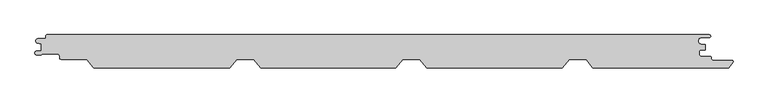
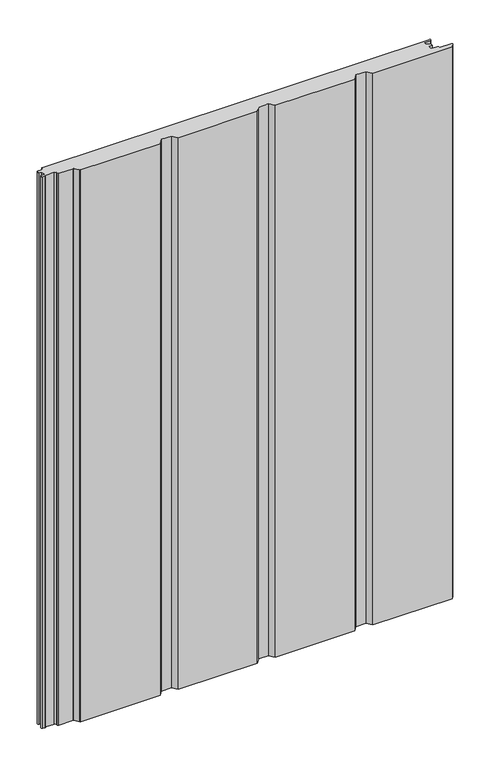
"""IFC4 building model written with IfcOpenShell, lengths in millimetres: proxy geometry."""

from ifc_helpers import new_model, si_unit, point, frame_2d, origin, origin_with_axes, place, context, project, spatial, polyline, circle_curve, trimmed, segment, composite_curve, outline, extrude, source, transform, mapped, element, save


def generic_models_a103f62f(model_context):
    return source(origin(), model_context, "Body", "SweptSolid", [
        extrude(outline(composite_curve([segment(polyline([(497.8, 20.6), (486.1740239, 20.6)]), True, "CONTINUOUS"), segment(trimmed(circle_curve(frame_2d((486.1740239, 15.5818865)), 5.0181135), [point((486.1740239, 20.6))], [point((486.1740239, 10.5637731))], True, "CARTESIAN"), True, "CONTINUOUS"), segment(polyline([(486.1740239, 10.5637731), (491.826199, 10.5637731), (491.826199, 2.1668444), (485.634822, 2.1668444)]), True, "CONTINUOUS"), segment(trimmed(circle_curve(frame_2d((485.634822, -0.5831555)), 2.7499999), [point((485.634822, 2.1668444))], [point((482.8848221, -0.5831555))], True, "CARTESIAN"), True, "CONTINUOUS"), segment(polyline([(482.8848221, -0.5831555), (482.8848221, -5.0831556)]), True, "CONTINUOUS"), segment(trimmed(circle_curve(frame_2d((485.634822, -5.0831556)), 2.7499999), [point((482.8848221, -5.0831556))], [point((485.634822, -7.8331556))], True, "CARTESIAN"), True, "CONTINUOUS"), segment(polyline([(485.634822, -7.8331556), (499.3603917, -7.8331556)]), True, "CONTINUOUS"), segment(trimmed(circle_curve(frame_2d((499.3603917, -9.8331556)), 2.0), [point((499.3603917, -7.8331556))], [point((501.3603917, -9.8331556))], False, "CARTESIAN"), True, "CONTINUOUS"), segment(polyline([(501.3603917, -9.8331556), (501.3603917, -11.8001056)]), True, "CONTINUOUS"), segment(trimmed(circle_curve(frame_2d((503.3603917, -11.8001056)), 2.0), [point((501.3603917, -11.8001056))], [point((503.3603917, -13.8001056))], True, "CARTESIAN"), True, "CONTINUOUS"), segment(polyline([(503.3603917, -13.8001056), (531.7579459, -13.8001056)]), True, "CONTINUOUS"), segment(trimmed(circle_curve(frame_2d((531.7579459, -15.9001056)), 2.1), [point((531.7579459, -13.8001056))], [point((533.3977704, -17.2119652))], False, "CARTESIAN"), True, "CONTINUOUS"), segment(polyline([(533.3977704, -17.2119652), (527.1673425, -25.0), (323.0, -25.0), (312.6000971, -12.0), (287.0155837, -12.0), (276.6156808, -25.0), (73.0, -25.0), (62.6000971, -12.0), (37.0155837, -12.0), (26.6156808, -25.0), (-177.0, -25.0), (-187.3999029, -12.0), (-212.9844163, -12.0), (-223.3843192, -25.0), (-427.4622812, -25.0)]), True, "CONTINUOUS"), segment(trimmed(circle_curve(frame_2d((-427.4622812, -22.9)), 2.1), [point((-427.4622812, -25.0))], [point((-429.1021057, -24.2118596))], False, "CARTESIAN"), True, "CONTINUOUS"), segment(polyline([(-429.1021057, -24.2118596), (-438.1509234, -12.9008374)]), True, "CONTINUOUS"), segment(trimmed(circle_curve(frame_2d((-440.0250086, -14.4001056)), 2.4), [point((-438.1509234, -12.9008374))], [point((-440.0250086, -12.0001056))], True, "CARTESIAN"), True, "CONTINUOUS"), segment(polyline([(-440.0250086, -12.0001056), (-477.1999474, -12.0001056)]), True, "CONTINUOUS"), segment(trimmed(circle_curve(frame_2d((-477.1999474, -9.6001056)), 2.4), [point((-477.1999474, -12.0001056))], [point((-479.5999474, -9.6001056))], False, "CARTESIAN"), True, "CONTINUOUS"), segment(polyline([(-479.5999474, -9.6001056), (-479.5999474, -7.3004705)]), True, "CONTINUOUS"), segment(trimmed(circle_curve(frame_2d((-482.9999474, -7.3004705)), 3.4), [point((-479.5999474, -7.3004705))], [point((-482.9999474, -3.9004705))], True, "CARTESIAN"), True, "CONTINUOUS"), segment(polyline([(-482.9999474, -3.9004705), (-505.0374222, -3.9004705)]), True, "CONTINUOUS"), segment(trimmed(circle_curve(frame_2d((-505.0374222, -5.9004705)), 2.0), [point((-505.0374222, -3.9004705))], [point((-506.7792948, -4.9176786))], True, "CARTESIAN"), True, "CONTINUOUS"), segment(trimmed(circle_curve(frame_2d((-508.5138365, -3.7784532)), 2.0752035), [point((-506.7792948, -4.9176786))], [point((-507.3945609, -5.5259348))], False, "CARTESIAN"), True, "CONTINUOUS"), segment(polyline([(-507.3945609, -5.5259348), (-513.6706314, -5.5259348)]), True, "CONTINUOUS"), segment(trimmed(circle_curve(frame_2d((-513.6706314, -2.5444825)), 2.9814522), [point((-513.6706314, -5.5259348))], [point((-513.6706314, 0.4369697))], False, "CARTESIAN"), True, "CONTINUOUS"), segment(polyline([(-513.6706314, 0.4369697), (-507.347117, 0.4369697), (-507.347117, 11.115907), (-512.8423385, 12.3845788)]), True, "CONTINUOUS"), segment(trimmed(circle_curve(frame_2d((-512.1, 15.6)), 3.3), [point((-512.8423385, 12.3845788))], [point((-512.1, 18.9))], False, "CARTESIAN"), True, "CONTINUOUS"), segment(polyline([(-512.1, 18.9), (-502.3, 18.9)]), True, "CONTINUOUS"), segment(trimmed(circle_curve(frame_2d((-502.3, 21.2)), 2.3), [point((-502.3, 18.9))], [point((-500.0, 21.2))], True, "CARTESIAN"), True, "CONTINUOUS"), segment(polyline([(-500.0, 21.2), (-500.0, 23.3)]), True, "CONTINUOUS"), segment(trimmed(circle_curve(frame_2d((-498.3, 23.3)), 1.7), [point((-500.0, 23.3))], [point((-498.3, 25.0))], False, "CARTESIAN"), True, "CONTINUOUS"), segment(polyline([(-498.3, 25.0), (497.8, 25.0)]), True, "CONTINUOUS"), segment(trimmed(circle_curve(frame_2d((497.8, 22.8)), 2.2), [point((497.8, 25.0))], [point((500.0, 22.8))], False, "CARTESIAN"), True, "CONTINUOUS"), segment(trimmed(circle_curve(frame_2d((497.8, 22.8)), 2.2), [point((500.0, 22.8))], [point((497.8, 20.6))], False, "CARTESIAN"), True, "CONTINUOUS")], self_intersect=False)), origin_with_axes(), (0.0, 0.0, 1.0), 1500.0),
    ])


if __name__ == "__main__":
    model = new_model("IFC4")
    model_context = context("Model", 3, world=origin())
    ifc_project = project(units=[si_unit("LENGTHUNIT", "METRE", prefix="MILLI")], contexts=[model_context])
    site = spatial("IfcSite", under=ifc_project)
    building = spatial("IfcBuilding", under=site)
    placement = place(None, origin())
    generic_models_shape = generic_models_a103f62f(model_context)
    element("IfcBuildingElementProxy", 1, Name="Generic Models", at=placement, inside=building, context=model_context, shape_type="MappedRepresentation", body=[
        mapped(generic_models_shape, transform((0.0, 0.0, 0.0), x_axis=(1.0, 0.0, 0.0), y_axis=(0.0, 1.0, 0.0), z_axis=(0.0, 0.0, 1.0))),
    ])
    save(model, "model.ifc")
